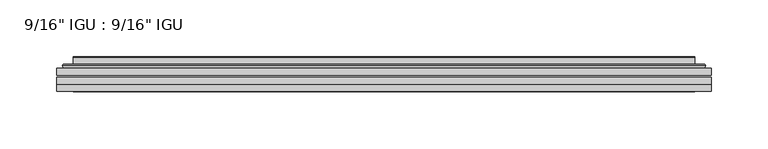
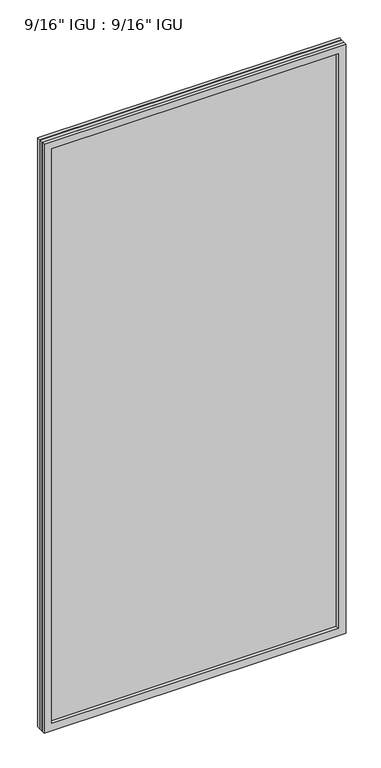
"""IFC4 building model written with IfcOpenShell, lengths in millimetres: plate geometry."""

from ifc_helpers import new_model, si_unit, frame, origin, place, context, project, spatial, polyline, ellipse_curve, outline, extrude, faceted_brep, source, transform, mapped, element, save
from ifc_brep_helpers import plane_surface, cylinder_surface, advanced_brep


def plate_a2d7997d(model_context):
    return source(origin(), model_context, "Body", "SolidModel", [
        extrude(outline(polyline([(287.351675, -54.78145), (287.351675, -61.1317818), (-287.3375, -61.1317818), (-287.3375, -54.78145), (287.351675, -54.78145)])), frame((0.0, 0.0, -14.2875), z_axis=(0.0, 0.0, 1.0), x_axis=(1.0, 0.0, 0.0)), (0.0, 0.0, 1.0), 1184.2787979),
        extrude(outline(polyline([(-287.3375, -69.05625), (-287.3375, -62.705745), (287.351675, -62.705745), (287.351675, -69.05625), (-287.3375, -69.05625)])), frame((0.0, 0.0, -14.2875), z_axis=(0.0, 0.0, 1.0), x_axis=(1.0, 0.0, 0.0)), (0.0, 0.0, 1.0), 1184.2787979),
        faceted_brep([(-287.3502, -75.40625, 1170.0002), (-287.3502, -69.05625, 1170.0002), (-287.3502, -69.05625, -14.3002), (-287.3502, -75.40625, -14.3002), (287.3502, -69.05625, -14.3002), (287.3502, -75.40625, -14.3002), (287.3502, -69.05625, 1170.0002), (287.3502, -75.40625, 1170.0002), (-272.1522559, -69.05625, 0.8977441), (272.1522559, -69.05625, 0.8977441), (272.1522559, -69.05625, 1154.8022559), (-272.1522559, -69.05625, 1154.8022559), (-273.0446902, -75.40625, 1155.6946902), (273.0446902, -75.40625, 1155.6946902), (273.0446902, -75.40625, 0.0053098), (-273.0446902, -75.40625, 0.0053098)], [[[0, 1, 2, 3]], [[3, 2, 4, 5]], [[5, 4, 6, 7]], [[1, 6, 4, 2], [8, 9, 10, 11]], [[7, 6, 1, 0]], [[3, 5, 7, 0], [12, 13, 14, 15]], [[11, 12, 15, 8]], [[8, 15, 14, 9]], [[9, 14, 13, 10]], [[10, 13, 12, 11]]]),
        advanced_brep(
        [(-280.096219, -54.78145, 1162.746219), (-282.4504244, -52.7917833, 1165.1004244), (-282.4504244, -52.7917833, -9.4004244), (-280.096219, -54.78145, -7.046219), (-271.0218939, -50.941413, 1153.6718939), (-266.0870621, -54.78145, 1148.7370621), (-266.0870621, -54.78145, 6.9629379), (-271.0218939, -50.941413, 2.0281061), (-272.0539217, -45.5441819, 1154.7039217), (-272.0539217, -45.5441819, 0.9960783), (-273.0445784, -45.1452069, 1155.6945784), (-273.0445784, -45.1452069, 0.0054216), (-273.0445784, -51.60645, 1155.6945784), (-273.0445784, -51.60645, 0.0054216), (-281.4486349, -51.60645, 1164.0986349), (-281.4486349, -51.60645, -8.3986349), (282.4504244, -52.7917833, -9.4004244), (280.096219, -54.78145, -7.046219), (266.0870621, -54.78145, 6.9629379), (271.0218939, -50.941413, 2.0281061), (272.0539217, -45.5441819, 0.9960783), (273.0445784, -45.1452069, 0.0054216), (273.0445784, -51.60645, 0.0054216), (281.4486349, -51.60645, -8.3986349), (282.4504244, -52.7917833, 1165.1004244), (280.096219, -54.78145, 1162.746219), (266.0870621, -54.78145, 1148.7370621), (271.0218939, -50.941413, 1153.6718939), (272.0539217, -45.5441819, 1154.7039217), (273.0445784, -45.1452069, 1155.6945784), (273.0445784, -51.60645, 1155.6945784), (281.4486349, -51.60645, 1164.0986349)],
        [
            (0, 1, ellipse_curve(frame((-280.096219, -52.39385, 1162.746219), z_axis=(-0.7071067811865475, 0.0, -0.7071067811865475), x_axis=(-0.7071067811865474, 0.0, 0.7071067811865476)), 3.3765763, 2.3876)),
            (1, 2),
            (2, 3, ellipse_curve(frame((-280.096219, -52.39385, -7.046219), z_axis=(-0.7071067811865475, 0.0, 0.7071067811865475), x_axis=(0.7071067811865474, 0.0, 0.7071067811865476)), 3.3765763, 2.3876)),
            (3, 0),
            (4, 5),
            (5, 6),
            (6, 7),
            (7, 4),
            (8, 4),
            (7, 9),
            (9, 8),
            (10, 8, ellipse_curve(frame((-272.6776219, -45.6634423, 1155.3276219), z_axis=(-0.7071067811865475, 0.0, -0.7071067811865475), x_axis=(-0.7071067811865474, 0.0, 0.7071067811865476)), 0.8980256, 0.635)),
            (9, 11, ellipse_curve(frame((-272.6776219, -45.6634423, 0.3723781), z_axis=(-0.7071067811865475, 0.0, 0.7071067811865475), x_axis=(0.7071067811865474, 0.0, 0.7071067811865476)), 0.8980256, 0.635)),
            (11, 10),
            (12, 10),
            (11, 13),
            (13, 12),
            (1, 14, ellipse_curve(frame((-281.4486349, -52.62245, 1164.0986349), z_axis=(-0.7071067811865475, 0.0, -0.7071067811865475), x_axis=(-0.7071067811865474, 0.0, 0.7071067811865476)), 1.436841, 1.016)),
            (14, 15),
            (15, 2, ellipse_curve(frame((-281.4486349, -52.62245, -8.3986349), z_axis=(-0.7071067811865475, 0.0, 0.7071067811865475), x_axis=(0.7071067811865474, 0.0, 0.7071067811865476)), 1.436841, 1.016)),
            (2, 16),
            (16, 17, ellipse_curve(frame((280.096219, -52.39385, -7.046219), z_axis=(-0.7071067811865475, 0.0, -0.7071067811865475), x_axis=(-0.7071067811865476, 0.0, 0.7071067811865474)), 3.3765763, 2.3876)),
            (17, 3),
            (6, 18),
            (18, 19),
            (19, 7),
            (19, 20),
            (20, 9),
            (20, 21, ellipse_curve(frame((272.6776219, -45.6634423, 0.3723781), z_axis=(-0.7071067811865475, 0.0, -0.7071067811865475), x_axis=(-0.7071067811865476, 0.0, 0.7071067811865474)), 0.8980256, 0.635)),
            (21, 11),
            (21, 22),
            (22, 13),
            (15, 23),
            (23, 16, ellipse_curve(frame((281.4486349, -52.62245, -8.3986349), z_axis=(-0.7071067811865475, 0.0, -0.7071067811865475), x_axis=(-0.7071067811865476, 0.0, 0.7071067811865474)), 1.436841, 1.016)),
            (16, 24),
            (24, 25, ellipse_curve(frame((280.096219, -52.39385, 1162.746219), z_axis=(0.7071067811865475, 0.0, -0.7071067811865475), x_axis=(-0.7071067811865474, 0.0, -0.7071067811865476)), 3.3765763, 2.3876)),
            (25, 17),
            (18, 26),
            (26, 27),
            (27, 19),
            (27, 28),
            (28, 20),
            (28, 29, ellipse_curve(frame((272.6776219, -45.6634423, 1155.3276219), z_axis=(0.7071067811865475, 0.0, -0.7071067811865475), x_axis=(-0.7071067811865474, 0.0, -0.7071067811865476)), 0.8980256, 0.635)),
            (29, 21),
            (29, 30),
            (30, 22),
            (23, 31),
            (31, 24, ellipse_curve(frame((281.4486349, -52.62245, 1164.0986349), z_axis=(0.7071067811865475, 0.0, -0.7071067811865475), x_axis=(-0.7071067811865474, 0.0, -0.7071067811865476)), 1.436841, 1.016)),
            (24, 1),
            (0, 25),
            (5, 26),
            (4, 27),
            (8, 28),
            (10, 29),
            (12, 30),
            (14, 31),
        ],
        [
            cylinder_surface(frame((-280.096219, -52.39385, 1187.45), z_axis=(0.0, 0.0, 1.0), x_axis=(-1.0, 0.0, 0.0)), 2.3876),
            plane_surface(frame((-266.0870621, -54.78145, 1148.7370621), z_axis=(0.6141233906514794, 0.7892100234124821, 0.0), x_axis=(0.0, 0.0, -1.0))),
            plane_surface(frame((-271.0218939, -50.941413, 1153.6718939), z_axis=(0.9822050625507728, 0.18781164793386088, 0.0), x_axis=(0.0, 0.0, -1.0))),
            cylinder_surface(frame((-272.6776219, -45.6634423, 1187.45), z_axis=(0.0, 0.0, 1.0), x_axis=(-1.0, 0.0, 0.0)), 0.635),
            plane_surface(frame((-273.0445784, -45.1452069, 1155.6945784), z_axis=(-1.0, 0.0, 0.0), x_axis=(0.0, 0.0, -1.0))),
            cylinder_surface(frame((-281.4486349, -52.62245, 1187.45), z_axis=(0.0, 0.0, 1.0), x_axis=(-1.0, 0.0, 0.0)), 1.016),
            cylinder_surface(frame((-304.8, -52.39385, -7.046219), z_axis=(-1.0, 0.0, 0.0), x_axis=(0.0, 0.0, -1.0)), 2.3876),
            plane_surface(frame((-266.0870621, -54.78145, 6.9629379), z_axis=(0.0, 0.7892100234124841, 0.6141233906514768), x_axis=(1.0, 0.0, 0.0))),
            plane_surface(frame((-271.0218939, -50.941413, 2.0281061), z_axis=(0.0, 0.18781164793386404, 0.9822050625507722), x_axis=(1.0, 0.0, 0.0))),
            cylinder_surface(frame((-304.8, -45.6634423, 0.3723781), z_axis=(-1.0, 0.0, 0.0), x_axis=(0.0, 0.0, -1.0)), 0.635),
            plane_surface(frame((-273.0445784, -45.1452069, 0.0054216), z_axis=(0.0, 0.0, -1.0), x_axis=(1.0, 0.0, 0.0))),
            cylinder_surface(frame((-304.8, -52.62245, -8.3986349), z_axis=(-1.0, 0.0, 0.0), x_axis=(0.0, 0.0, -1.0)), 1.016),
            cylinder_surface(frame((280.096219, -52.39385, -31.75), z_axis=(0.0, 0.0, -1.0), x_axis=(1.0, 0.0, 0.0)), 2.3876),
            plane_surface(frame((266.0870621, -54.78145, 6.9629379), z_axis=(-0.6141233906514743, 0.7892100234124861, 0.0), x_axis=(0.0, 0.0, 1.0))),
            plane_surface(frame((271.0218939, -50.941413, 2.0281061), z_axis=(-0.9822050625507717, 0.1878116479338672, 0.0), x_axis=(0.0, 0.0, 1.0))),
            cylinder_surface(frame((272.6776219, -45.6634423, -31.75), z_axis=(0.0, 0.0, -1.0), x_axis=(1.0, 0.0, 0.0)), 0.635),
            plane_surface(frame((273.0445784, -45.1452069, 0.0054216), z_axis=(1.0, 0.0, 0.0), x_axis=(0.0, 0.0, 1.0))),
            cylinder_surface(frame((281.4486349, -52.62245, -31.75), z_axis=(0.0, 0.0, -1.0), x_axis=(1.0, 0.0, 0.0)), 1.016),
            cylinder_surface(frame((304.8, -52.39385, 1162.746219), z_axis=(1.0, 0.0, 0.0), x_axis=(0.0, 0.0, 1.0)), 2.3876),
            plane_surface(frame((280.096219, -54.78145, 1162.746219), z_axis=(0.0, -1.0, 0.0), x_axis=(-1.0, 0.0, 0.0))),
            plane_surface(frame((266.0870621, -54.78145, 1148.7370621), z_axis=(0.0, 0.7892100234124841, -0.6141233906514768), x_axis=(-1.0, 0.0, 0.0))),
            plane_surface(frame((271.0218939, -50.941413, 1153.6718939), z_axis=(0.0, 0.18781164793386404, -0.9822050625507722), x_axis=(-1.0, 0.0, 0.0))),
            cylinder_surface(frame((304.8, -45.6634423, 1155.3276219), z_axis=(1.0, 0.0, 0.0), x_axis=(0.0, 0.0, 1.0)), 0.635),
            plane_surface(frame((273.0445784, -45.1452069, 1155.6945784), z_axis=(0.0, 0.0, 1.0), x_axis=(-1.0, 0.0, 0.0))),
            plane_surface(frame((273.0445784, -51.60645, 1155.6945784), z_axis=(0.0, 1.0, 0.0), x_axis=(-1.0, 0.0, 0.0))),
            cylinder_surface(frame((304.8, -52.62245, 1164.0986349), z_axis=(1.0, 0.0, 0.0), x_axis=(0.0, 0.0, 1.0)), 1.016),
        ],
        [
            (0, [[1, 2, 3, 4]]),
            (1, [[5, 6, 7, 8]]),
            (2, [[9, -8, 10, 11]]),
            (3, [[12, -11, 13, 14]]),
            (4, [[15, -14, 16, 17]]),
            (5, [[18, 19, 20, -2]]),
            (6, [[-3, 21, 22, 23]]),
            (7, [[-7, 24, 25, 26]]),
            (8, [[-10, -26, 27, 28]]),
            (9, [[-13, -28, 29, 30]]),
            (10, [[-16, -30, 31, 32]]),
            (11, [[-20, 33, 34, -21]]),
            (12, [[-22, 35, 36, 37]]),
            (13, [[-25, 38, 39, 40]]),
            (14, [[-27, -40, 41, 42]]),
            (15, [[-29, -42, 43, 44]]),
            (16, [[-31, -44, 45, 46]]),
            (17, [[-34, 47, 48, -35]]),
            (18, [[-36, 49, -1, 50]]),
            (19, [[-23, -37, -50, -4], [51, -38, -24, -6]]),
            (20, [[-39, -51, -5, 52]]),
            (21, [[-41, -52, -9, 53]]),
            (22, [[-43, -53, -12, 54]]),
            (23, [[-45, -54, -15, 55]]),
            (24, [[56, -47, -33, -19], [-32, -46, -55, -17]]),
            (25, [[-48, -56, -18, -49]]),
        ],
    ),
    ])


if __name__ == "__main__":
    model = new_model("IFC4")
    model_context = context("Model", 3, world=origin())
    ifc_project = project(units=[si_unit("LENGTHUNIT", "METRE", prefix="MILLI")], contexts=[model_context])
    site = spatial("IfcSite", under=ifc_project)
    building = spatial("IfcBuilding", under=site)
    placement = place(None, origin())
    plate_shape = plate_a2d7997d(model_context)
    element("IfcPlate", 1, ObjectType="9/16\" IGU : 9/16\" IGU", at=placement, inside=building, context=model_context, shape_type="MappedRepresentation", body=[
        mapped(plate_shape, transform((0.0, 0.0, 0.0), x_axis=(1.0, 0.0, 0.0), y_axis=(0.0, 1.0, 0.0), z_axis=(0.0, 0.0, 1.0))),
    ])
    save(model, "model.ifc")
